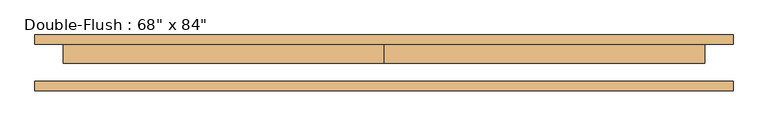
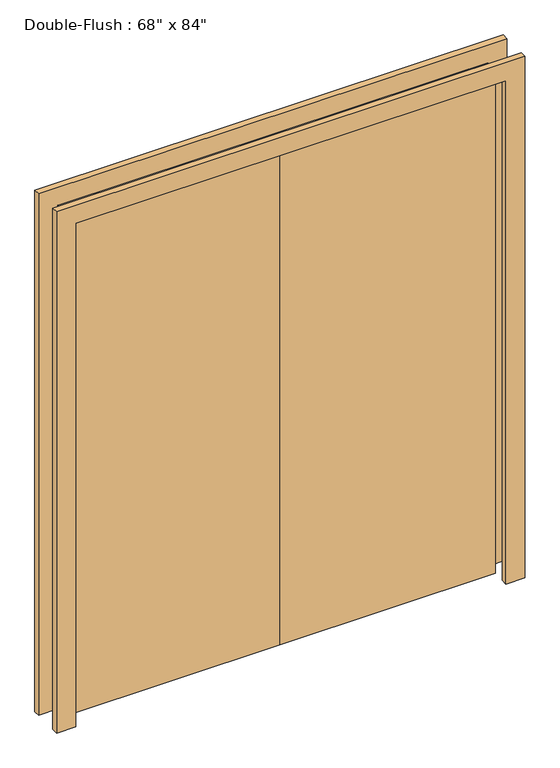
"""IFC4 building model written with IfcOpenShell, lengths in millimetres: door geometry."""

from ifc_helpers import new_model, si_unit, frame, origin, origin_with_axes, place, context, project, spatial, polyline, outline, extrude, source, transform, mapped, element, save


def door_a888394b(model_context):
    return source(origin(), model_context, "Body", "SweptSolid", [
        extrude(outline(polyline([(0.0, 50.0), (863.6, 50.0), (863.6, -0.8), (0.0, -0.8), (0.0, 50.0)])), origin_with_axes(), (0.0, 0.0, 1.0), 2133.6),
        extrude(outline(polyline([(-863.6, 50.0), (0.0, 50.0), (0.0, -0.8), (-863.6, -0.8), (-863.6, 50.0)])), origin_with_axes(), (0.0, 0.0, 1.0), 2133.6),
        extrude(outline(polyline([(2133.6, -863.6), (2133.6, 863.6), (0.0, 863.6), (0.0, 939.8), (2209.8, 939.8), (2209.8, -939.8), (0.0, -939.8), (0.0, -863.6), (2133.6, -863.6)])), frame((0.0, -75.4, 0.0), z_axis=(0.0, 1.0, 0.0), x_axis=(0.0, 0.0, 1.0)), (0.0, 0.0, 1.0), 25.4),
        extrude(outline(polyline([(2133.6, -863.6), (2133.6, 863.6), (0.0, 863.6), (0.0, 939.8), (2209.8, 939.8), (2209.8, -939.8), (0.0, -939.8), (0.0, -863.6), (2133.6, -863.6)])), frame((0.0, 50.0, 0.0), z_axis=(0.0, 1.0, 0.0), x_axis=(0.0, 0.0, 1.0)), (0.0, 0.0, 1.0), 25.4),
    ])


if __name__ == "__main__":
    model = new_model("IFC4")
    model_context = context("Model", 3, world=origin())
    ifc_project = project(units=[si_unit("LENGTHUNIT", "METRE", prefix="MILLI")], contexts=[model_context])
    site = spatial("IfcSite", under=ifc_project)
    building = spatial("IfcBuilding", under=site)
    placement = place(None, origin())
    door_shape = door_a888394b(model_context)
    element("IfcDoor", 1, ObjectType="Double-Flush : 68\" x 84\"", at=placement, inside=building, context=model_context, shape_type="MappedRepresentation", body=[
        mapped(door_shape, transform((0.0, 0.0, 0.0), x_axis=(1.0, 0.0, 0.0), y_axis=(0.0, 1.0, 0.0), z_axis=(0.0, 0.0, 1.0))),
    ])
    save(model, "model.ifc")
